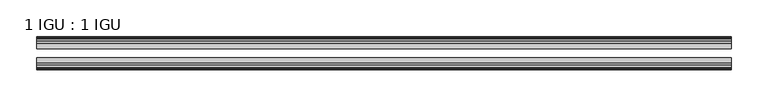
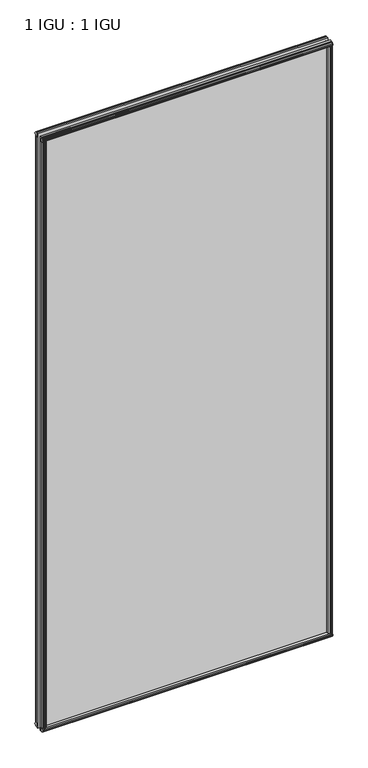
"""IFC4 building model written with IfcOpenShell, lengths in millimetres: plate geometry, 1 IGU : 1 IGU."""

from ifc_helpers import new_model, si_unit, frame, origin, origin_with_axes, place, context, project, spatial, polyline, outline, extrude, source, transform, mapped, element, save


def plate_1_igu_1_igu_935248b9(model_context):
    return source(origin(), model_context, "Body", "SweptSolid", [
        extrude(outline(polyline([(458.7578606, -19.5460937), (460.8631377, -13.1960937), (466.0703321, -13.1960937), (466.4513321, -10.8158968), (465.035803, -11.27583), (465.035803, -10.4746158), (467.2133321, -9.7670937), (469.3908611, -10.4746158), (469.3908611, -11.27583), (467.9753321, -10.8158968), (468.3563321, -13.1960937), (472.8013321, -13.1960937), (472.8013321, -16.1419073), (470.5882546, -19.5460937), (458.7578606, -19.5460937)])), origin_with_axes(), (0.0, 0.0, 1.0), 2019.3),
        extrude(outline(polyline([(-458.7578606, -19.5460937), (-470.5882546, -19.5460937), (-472.8013321, -16.1419073), (-472.8013321, -13.1960937), (-468.3563321, -13.1960937), (-467.9753321, -10.8158968), (-469.3908611, -11.27583), (-469.3908611, -10.4746158), (-467.2133321, -9.7670937), (-465.035803, -10.4746158), (-465.035803, -11.27583), (-466.4513321, -10.8158968), (-466.0703321, -13.1960937), (-460.8631377, -13.1960937), (-458.7578606, -19.5460937)])), origin_with_axes(), (0.0, 0.0, 1.0), 2019.3),
        extrude(outline(polyline([(-16.1419073, -12.4576852), (-19.5460937, -10.2446077), (-19.5460937, 1.5857863), (-13.1960937, -0.5194908), (-13.1960937, -5.7266852), (-10.8158968, -6.1076852), (-11.27583, -4.6921562), (-10.4746158, -4.6921562), (-9.7670937, -6.8696852), (-10.4746158, -9.0472143), (-11.27583, -9.0472143), (-10.8158968, -7.6316852), (-13.1960937, -8.0126852), (-13.1960937, -12.4576852), (-16.1419073, -12.4576852)])), frame((-473.0436469, 0.0, 0.0), z_axis=(1.0, 0.0, 0.0), x_axis=(0.0, 1.0, 0.0)), (0.0, 0.0, 1.0), 946.0872938),
        extrude(outline(polyline([(-48.3502802, -11.938), (-51.2960937, -11.938), (-51.2960937, -7.493), (-53.6762907, -7.112), (-53.2163575, -8.5275291), (-54.0175717, -8.5275291), (-54.7250937, -6.35), (-54.0175717, -4.172471), (-53.2163575, -4.172471), (-53.6762907, -5.588), (-51.2960937, -5.207), (-51.2960937, 0.0001944), (-44.9460937, 2.1054715), (-44.9460937, -9.7249225), (-48.3502802, -11.938)])), frame((-473.0436469, 0.0, 0.0), z_axis=(1.0, 0.0, 0.0), x_axis=(0.0, 1.0, 0.0)), (0.0, 0.0, 1.0), 946.0872938),
        extrude(outline(polyline([(-16.1028367, 2031.7576852), (-13.1960937, 2031.7576852), (-13.1960937, 2027.3126852), (-10.8158968, 2026.9316852), (-11.27583, 2028.3472143), (-10.4746158, 2028.3472143), (-9.7670937, 2026.1696852), (-10.4746158, 2023.9921562), (-11.27583, 2023.9921562), (-10.8158968, 2025.4076852), (-13.1960937, 2025.0266852), (-13.1960937, 2019.7940908), (-19.5460937, 2017.6888137), (-19.5460937, 2029.5192077), (-16.1028367, 2031.7576852)])), frame((-473.0436469, 0.0, 0.0), z_axis=(1.0, 0.0, 0.0), x_axis=(0.0, 1.0, 0.0)), (0.0, 0.0, 1.0), 946.0872938),
        extrude(outline(polyline([(-48.3893508, 2031.2126), (-44.9460937, 2028.9741225), (-44.9460937, 2017.1437285), (-51.2960937, 2019.2490056), (-51.2960937, 2024.4816), (-53.6762907, 2024.8626), (-53.2163575, 2023.447071), (-54.0175717, 2023.447071), (-54.7250938, 2025.6246), (-54.0175717, 2027.8021291), (-53.2163575, 2027.8021291), (-53.6762907, 2026.3866), (-51.2960937, 2026.7676), (-51.2960937, 2031.2126), (-48.3893508, 2031.2126)])), frame((-473.0436469, 0.0, 0.0), z_axis=(1.0, 0.0, 0.0), x_axis=(0.0, 1.0, 0.0)), (0.0, 0.0, 1.0), 946.0872938),
        extrude(outline(polyline([(-458.2381754, -44.9460938), (-460.3434525, -51.2960938), (-465.5506469, -51.2960938), (-465.9316469, -53.6762907), (-464.5161178, -53.2163575), (-464.5161178, -54.0175717), (-466.6936469, -54.7250938), (-468.8711759, -54.0175717), (-468.8711759, -53.2163575), (-467.4556469, -53.6762907), (-467.8366469, -51.2960938), (-472.2816469, -51.2960938), (-472.2816469, -48.3502802), (-470.0685694, -44.9460938), (-458.2381754, -44.9460938)])), origin_with_axes(), (0.0, 0.0, 1.0), 2019.3),
        extrude(outline(polyline([(458.2381754, -44.9460938), (470.0685694, -44.9460938), (472.2816469, -48.3502802), (472.2816469, -51.2960938), (467.8366469, -51.2960938), (467.4556469, -53.6762907), (468.8711759, -53.2163575), (468.8711759, -54.0175717), (466.6936469, -54.7250938), (464.5161178, -54.0175717), (464.5161178, -53.2163575), (465.9316469, -53.6762907), (465.5506469, -51.2960938), (460.3434525, -51.2960938), (458.2381754, -44.9460938)])), origin_with_axes(), (0.0, 0.0, 1.0), 2019.3),
        extrude(outline(polyline([(473.0436469, -19.5460937), (473.0436469, -25.8337453), (-473.0436469, -25.8337453), (-473.0436469, -19.5460937), (473.0436469, -19.5460937)])), frame((0.0, 0.0, -12.7), z_axis=(0.0, 0.0, 1.0), x_axis=(1.0, 0.0, 0.0)), (0.0, 0.0, 1.0), 2044.6872998),
        extrude(outline(polyline([(-473.0436469, -44.9460937), (-473.0436469, -38.6468938), (473.0436469, -38.6468938), (473.0436469, -44.9460937), (-473.0436469, -44.9460937)])), frame((0.0, 0.0, -12.7), z_axis=(0.0, 0.0, 1.0), x_axis=(1.0, 0.0, 0.0)), (0.0, 0.0, 1.0), 2044.6872998),
    ])


if __name__ == "__main__":
    model = new_model("IFC4")
    model_context = context("Model", 3, world=origin())
    ifc_project = project(units=[si_unit("LENGTHUNIT", "METRE", prefix="MILLI")], contexts=[model_context])
    site = spatial("IfcSite", under=ifc_project)
    building = spatial("IfcBuilding", under=site)
    placement = place(None, origin())
    plate_1_igu_1_igu_shape = plate_1_igu_1_igu_935248b9(model_context)
    element("IfcPlate", 1, ObjectType="1 IGU : 1 IGU", at=placement, inside=building, context=model_context, shape_type="MappedRepresentation", body=[
        mapped(plate_1_igu_1_igu_shape, transform((0.0, 0.0, 0.0), x_axis=(1.0, 0.0, 0.0), y_axis=(0.0, 1.0, 0.0), z_axis=(0.0, 0.0, 1.0))),
    ])
    save(model, "model.ifc")
